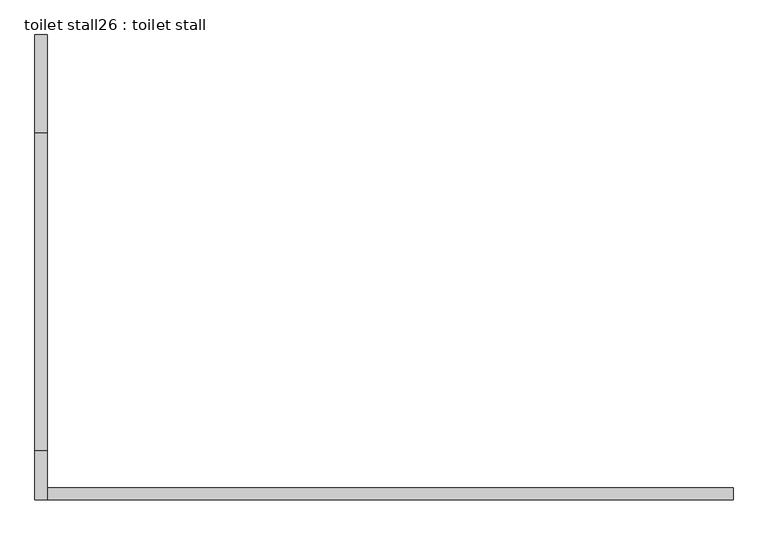
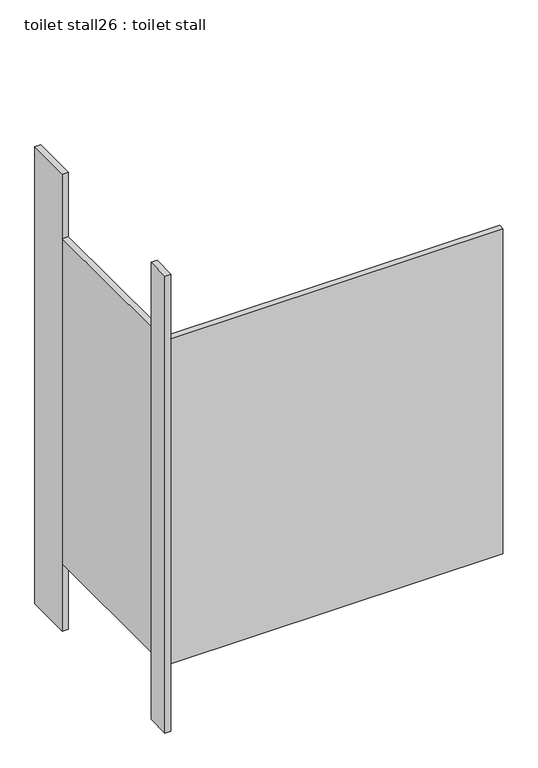
"""IFC4 building model written with IfcOpenShell, lengths in millimetres: proxy geometry, toilet stall26 : toilet stall."""

from ifc_helpers import new_model, si_unit, frame, origin, origin_with_axes, place, context, project, spatial, polyline, outline, extrude, source, transform, mapped, element, save


def toilet_stall26_toilet_stall_43af90c3(model_context):
    return source(origin(), model_context, "Body", "SweptSolid", [
        extrude(outline(polyline([(454658.2004676, -335190.3205223), (454632.8004676, -335190.3205223), (454632.8004676, -334987.1205223), (454658.2004676, -334987.1205223), (454658.2004676, -335190.3205223)])), origin_with_axes(), (0.0, 0.0, 1.0), 2070.1),
        extrude(outline(polyline([(454658.2004676, -335952.3205223), (454632.8004676, -335952.3205223), (454632.8004676, -335850.7205223), (454658.2004676, -335850.7205223), (454658.2004676, -335952.3205223)])), origin_with_axes(), (0.0, 0.0, 1.0), 2070.1),
        extrude(outline(polyline([(454658.2004676, -335952.3205223), (454658.2004676, -335926.9205223), (456080.6004676, -335926.9205223), (456080.6004676, -335952.3205223), (454658.2004676, -335952.3205223)])), frame((0.0, 0.0, 304.8), z_axis=(0.0, 0.0, 1.0), x_axis=(1.0, 0.0, 0.0)), (0.0, 0.0, 1.0), 1473.2),
        extrude(outline(polyline([(454658.2004676, -335850.7205223), (454632.8004676, -335850.7205223), (454632.8004676, -335190.3205223), (454658.2004676, -335190.3205223), (454658.2004676, -335850.7205223)])), frame((0.0, 0.0, 304.8), z_axis=(0.0, 0.0, 1.0), x_axis=(1.0, 0.0, 0.0)), (0.0, 0.0, 1.0), 1473.2),
    ])


if __name__ == "__main__":
    model = new_model("IFC4")
    model_context = context("Model", 3, world=origin())
    ifc_project = project(units=[si_unit("LENGTHUNIT", "METRE", prefix="MILLI")], contexts=[model_context])
    site = spatial("IfcSite", under=ifc_project)
    building = spatial("IfcBuilding", under=site)
    placement = place(None, origin())
    toilet_stall26_toilet_stall_shape = toilet_stall26_toilet_stall_43af90c3(model_context)
    element("IfcBuildingElementProxy", 1, Name="toilet stall26 : toilet stall", ObjectType="toilet stall26 : toilet stall", at=placement, inside=building, context=model_context, shape_type="MappedRepresentation", body=[
        mapped(toilet_stall26_toilet_stall_shape, transform((0.0, 0.0, 0.0), x_axis=(1.0, 0.0, 0.0), y_axis=(0.0, 1.0, 0.0), z_axis=(0.0, 0.0, 1.0))),
    ])
    save(model, "model.ifc")
